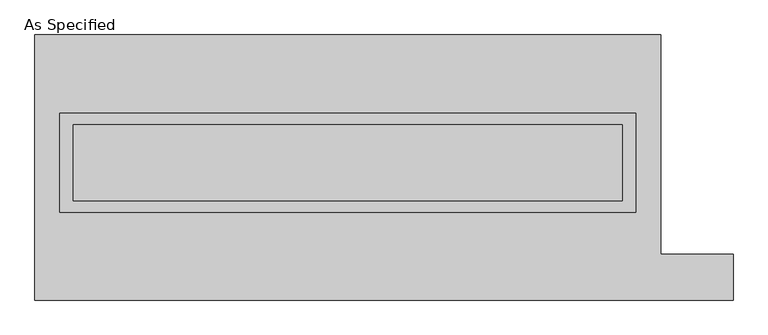
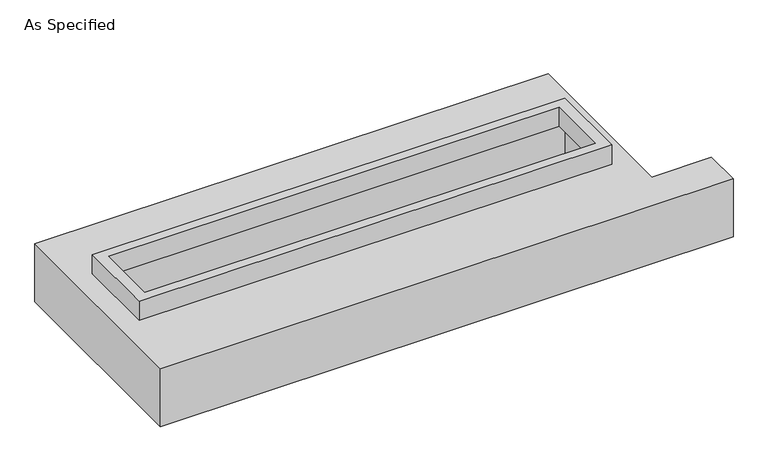
"""IFC4 building model written with IfcOpenShell, lengths in millimetres: proxy geometry, As Specified."""

from ifc_helpers import new_model, si_unit, frame, origin, place, context, project, spatial, polyline, outline, extrude, faceted_brep, source, transform, mapped, element, save


def as_specified_c517379d(model_context):
    return source(origin(), model_context, "Body", "SolidModel", [
        extrude(outline(polyline([(1917.7, 361.95), (1917.7, -298.45), (-1917.7, -298.45), (-1917.7, 361.95), (1917.7, 361.95)]), holes=[polyline([(1828.8, 285.75), (-1828.8, 285.75), (-1828.8, -222.25), (1828.8, -222.25), (1828.8, 285.75)])]), frame((0.0, 0.0, -25.4), z_axis=(0.0, 0.0, 1.0), x_axis=(1.0, 0.0, 0.0)), (0.0, 0.0, 1.0), 165.1),
        faceted_brep([(-2082.8, 882.65, -523.875), (2082.8, 882.65, -523.875), (2082.8, -577.85, -523.875), (2565.4, -577.85, -523.875), (2565.4, -882.65, -523.875), (-2082.8, -882.65, -523.875), (2082.8, 882.65, -25.4), (-2082.8, 882.65, -25.4), (-2082.8, -882.65, -25.4), (2565.4, -882.65, -25.4), (2565.4, -577.85, -25.4), (2082.8, -577.85, -25.4), (-1917.7, -298.45, -25.4), (-1917.7, 361.95, -25.4), (1917.7, 361.95, -25.4), (1917.7, -298.45, -25.4), (1917.7, 361.95, -498.475), (-1917.7, 361.95, -498.475), (-1917.7, -298.45, -498.475), (1917.7, -298.45, -498.475)], [[[0, 1, 2, 3, 4, 5]], [[6, 7, 8, 9, 10, 11], [12, 13, 14, 15]], [[1, 0, 7, 6]], [[7, 0, 5, 8]], [[1, 6, 11, 2]], [[16, 17, 18, 19]], [[18, 17, 13, 12]], [[17, 16, 14, 13]], [[16, 19, 15, 14]], [[19, 18, 12, 15]], [[5, 4, 9, 8]], [[3, 2, 11, 10]], [[4, 3, 10, 9]]]),
    ])


if __name__ == "__main__":
    model = new_model("IFC4")
    model_context = context("Model", 3, world=origin())
    ifc_project = project(units=[si_unit("LENGTHUNIT", "METRE", prefix="MILLI")], contexts=[model_context])
    site = spatial("IfcSite", under=ifc_project)
    building = spatial("IfcBuilding", under=site)
    placement = place(None, origin())
    as_specified_shape = as_specified_c517379d(model_context)
    element("IfcBuildingElementProxy", 1, Name="As Specified", ObjectType="As Specified", at=placement, inside=building, context=model_context, shape_type="MappedRepresentation", body=[
        mapped(as_specified_shape, transform((0.0, 0.0, 0.0), x_axis=(1.0, 0.0, 0.0), y_axis=(0.0, 1.0, 0.0), z_axis=(0.0, 0.0, 1.0))),
    ])
    save(model, "model.ifc")
